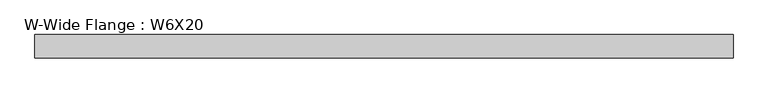
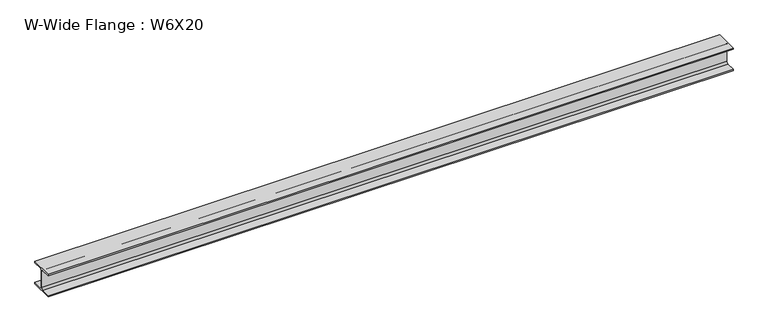
"""IFC4 building model written with IfcOpenShell, lengths in millimetres: beam geometry, W-Wide Flange : W6X20."""

from ifc_helpers import new_model, si_unit, point, frame, frame_2d, origin, place, context, project, spatial, polyline, circle_curve, trimmed, segment, composite_curve, outline, extrude, source, transform, mapped, element, save


def w_wide_flange_w6x20_3c55722a(model_context):
    return source(origin(), model_context, "Body", "SweptSolid", [
        extrude(outline(composite_curve([segment(polyline([(76.4480469, -69.5027344), (76.4480469, -78.7300781), (-76.4480469, -78.7300781), (-76.4480469, -69.5027344), (-16.3214844, -69.5027344)]), True, "CONTINUOUS"), segment(trimmed(circle_curve(frame_2d((-16.3214844, -56.5050781)), 12.9976563), [point((-16.3214844, -69.5027344))], [point((-3.3238281, -56.5050781))], True, "CARTESIAN"), True, "CONTINUOUS"), segment(polyline([(-3.3238281, -56.5050781), (-3.3238281, 56.5050781)]), True, "CONTINUOUS"), segment(trimmed(circle_curve(frame_2d((-16.3214844, 56.5050781)), 12.9976563), [point((-3.3238281, 56.5050781))], [point((-16.3214844, 69.5027344))], True, "CARTESIAN"), True, "CONTINUOUS"), segment(polyline([(-16.3214844, 69.5027344), (-76.4480469, 69.5027344), (-76.4480469, 78.7300781), (76.4480469, 78.7300781), (76.4480469, 69.5027344), (16.3214844, 69.5027344)]), True, "CONTINUOUS"), segment(trimmed(circle_curve(frame_2d((16.3214844, 56.5050781)), 12.9976563), [point((16.3214844, 69.5027344))], [point((3.3238281, 56.5050781))], True, "CARTESIAN"), True, "CONTINUOUS"), segment(polyline([(3.3238281, 56.5050781), (3.3238281, -56.5050781)]), True, "CONTINUOUS"), segment(trimmed(circle_curve(frame_2d((16.3214844, -56.5050781)), 12.9976563), [point((3.3238281, -56.5050781))], [point((16.3214844, -69.5027344))], True, "CARTESIAN"), True, "CONTINUOUS"), segment(polyline([(16.3214844, -69.5027344), (76.4480469, -69.5027344)]), True, "CONTINUOUS")], self_intersect=False)), frame((-2275.7718431, 0.0, 0.0), z_axis=(1.0, 0.0, 0.0), x_axis=(0.0, 1.0, 0.0)), (0.0, 0.0, 1.0), 4543.5824831),
    ])


if __name__ == "__main__":
    model = new_model("IFC4")
    model_context = context("Model", 3, world=origin())
    ifc_project = project(units=[si_unit("LENGTHUNIT", "METRE", prefix="MILLI")], contexts=[model_context])
    site = spatial("IfcSite", under=ifc_project)
    building = spatial("IfcBuilding", under=site)
    placement = place(None, origin())
    w_wide_flange_w6x20_shape = w_wide_flange_w6x20_3c55722a(model_context)
    element("IfcBeam", 1, ObjectType="W-Wide Flange : W6X20", at=placement, inside=building, context=model_context, shape_type="MappedRepresentation", body=[
        mapped(w_wide_flange_w6x20_shape, transform((0.0, 0.0, 0.0), x_axis=(1.0, 0.0, 0.0), y_axis=(0.0, 1.0, 0.0), z_axis=(0.0, 0.0, 1.0))),
    ])
    save(model, "model.ifc")
